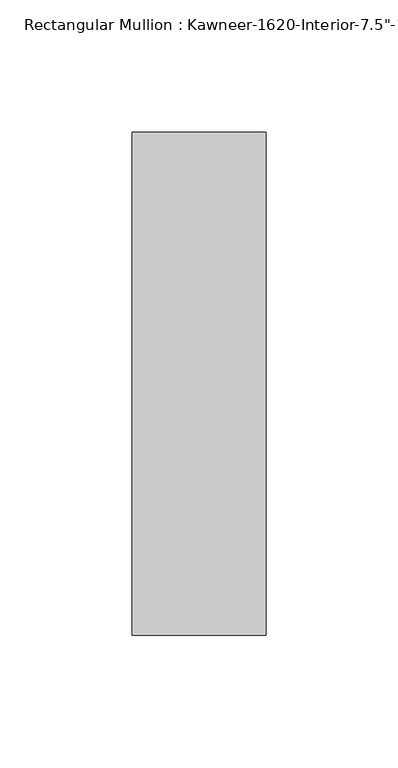
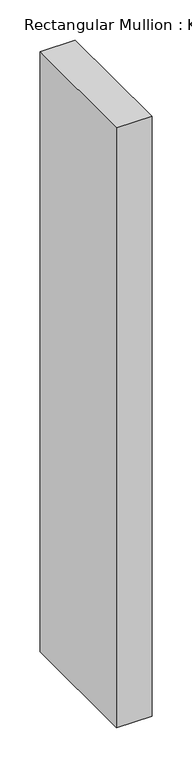
"""IFC4 building model written with IfcOpenShell, lengths in millimetres: member geometry."""

from ifc_helpers import new_model, si_unit, frame, origin, place, context, project, spatial, polyline, outline, extrude, source, transform, mapped, element, save


def member_0344251c(model_context):
    return source(origin(), model_context, "Body", "SweptSolid", [
        extrude(outline(polyline([(25.4, -161.925), (-25.4, -161.925), (-25.4, 28.575), (25.4, 28.575), (25.4, -161.925)])), frame((0.0, 0.0, -911.8551893), z_axis=(0.0, 0.0, 1.0), x_axis=(1.0, 0.0, 0.0)), (0.0, 0.0, 1.0), 911.8551893),
    ])


if __name__ == "__main__":
    model = new_model("IFC4")
    model_context = context("Model", 3, world=origin())
    ifc_project = project(units=[si_unit("LENGTHUNIT", "METRE", prefix="MILLI")], contexts=[model_context])
    site = spatial("IfcSite", under=ifc_project)
    building = spatial("IfcBuilding", under=site)
    placement = place(None, origin())
    member_shape = member_0344251c(model_context)
    element("IfcMember", 1, ObjectType="Rectangular Mullion : Kawneer-1620-Interior-7.5\"-1/4\"Infill", at=placement, inside=building, context=model_context, shape_type="MappedRepresentation", body=[
        mapped(member_shape, transform((0.0, 0.0, 0.0), x_axis=(1.0, 0.0, 0.0), y_axis=(0.0, 1.0, 0.0), z_axis=(0.0, 0.0, 1.0))),
    ])
    save(model, "model.ifc")
